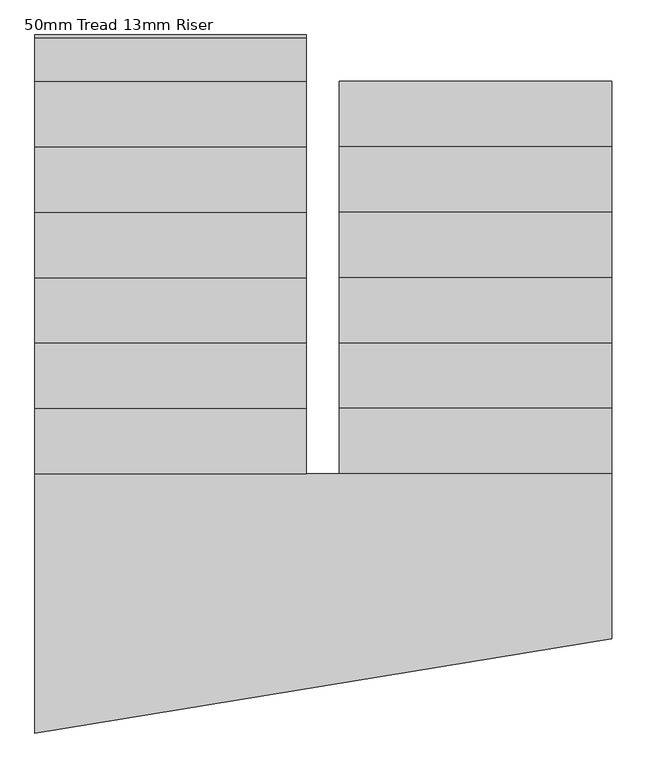
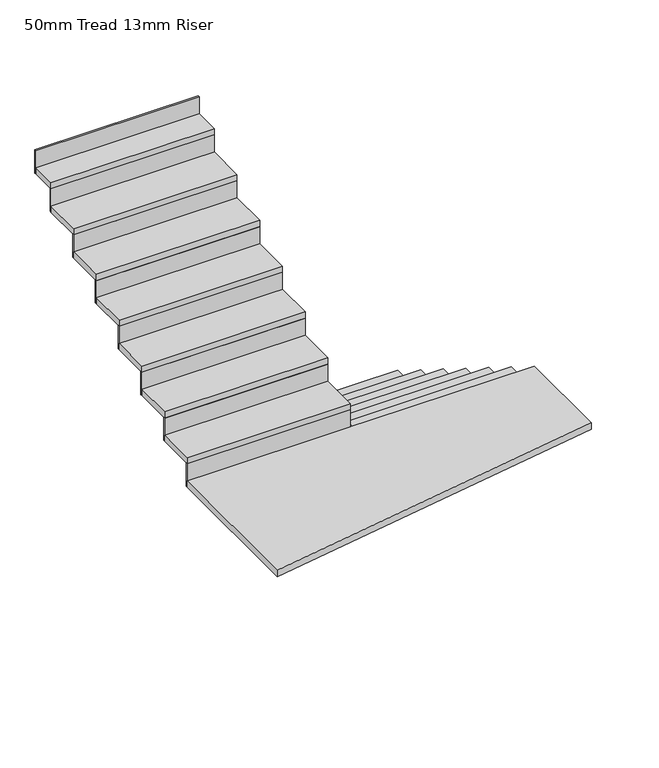
"""IFC4 building model written with IfcOpenShell, lengths in millimetres: stair flight geometry, 50mm Tread 13mm Riser."""

from ifc_helpers import new_model, si_unit, frame, origin, origin_with_axes, place, context, project, spatial, polyline, outline, extrude, source, transform, mapped, element, save


def stair_flight_50mm_tread_13mm_riser_5c0a85da(model_context):
    return source(origin(), model_context, "Body", "SweptSolid", [
        extrude(outline(polyline([(-5295.5206151, 2241.2008614), (-5295.5206151, 2253.7008614), (-4045.9206151, 2253.7008614), (-4045.9206151, 2241.2008614), (-5295.5206151, 2241.2008614)])), origin_with_axes(), (0.0, 0.0, 1.0), 137.5),
        extrude(outline(polyline([(-4045.9206151, 1953.7008614), (-5295.5206151, 1953.7008614), (-5295.5206151, 2253.7008614), (-4045.9206151, 2253.7008614), (-4045.9206151, 1953.7008614)])), frame((0.0, 0.0, 137.5), z_axis=(0.0, 0.0, 1.0), x_axis=(1.0, 0.0, 0.0)), (0.0, 0.0, 1.0), 50.0),
        extrude(outline(polyline([(-5295.5206151, 1941.2008614), (-5295.5206151, 1953.7008614), (-4045.9206151, 1953.7008614), (-4045.9206151, 1941.2008614), (-5295.5206151, 1941.2008614)])), frame((0.0, 0.0, 137.5), z_axis=(0.0, 0.0, 1.0), x_axis=(1.0, 0.0, 0.0)), (0.0, 0.0, 1.0), 187.5),
        extrude(outline(polyline([(-4045.9206151, 1653.7008614), (-5295.5206151, 1653.7008614), (-5295.5206151, 1953.7008614), (-4045.9206151, 1953.7008614), (-4045.9206151, 1653.7008614)])), frame((0.0, 0.0, 325.0), z_axis=(0.0, 0.0, 1.0), x_axis=(1.0, 0.0, 0.0)), (0.0, 0.0, 1.0), 50.0),
        extrude(outline(polyline([(-5295.5206151, 1641.2008614), (-5295.5206151, 1653.7008614), (-4045.9206151, 1653.7008614), (-4045.9206151, 1641.2008614), (-5295.5206151, 1641.2008614)])), frame((0.0, 0.0, 325.0), z_axis=(0.0, 0.0, 1.0), x_axis=(1.0, 0.0, 0.0)), (0.0, 0.0, 1.0), 187.5),
        extrude(outline(polyline([(-4045.9206151, 1353.7008614), (-5295.5206151, 1353.7008614), (-5295.5206151, 1653.7008614), (-4045.9206151, 1653.7008614), (-4045.9206151, 1353.7008614)])), frame((0.0, 0.0, 512.5), z_axis=(0.0, 0.0, 1.0), x_axis=(1.0, 0.0, 0.0)), (0.0, 0.0, 1.0), 50.0),
        extrude(outline(polyline([(-5295.5206151, 1341.2008614), (-5295.5206151, 1353.7008614), (-4045.9206151, 1353.7008614), (-4045.9206151, 1341.2008614), (-5295.5206151, 1341.2008614)])), frame((0.0, 0.0, 512.5), z_axis=(0.0, 0.0, 1.0), x_axis=(1.0, 0.0, 0.0)), (0.0, 0.0, 1.0), 187.5),
        extrude(outline(polyline([(-4045.9206151, 1053.7008614), (-5295.5206151, 1053.7008614), (-5295.5206151, 1353.7008614), (-4045.9206151, 1353.7008614), (-4045.9206151, 1053.7008614)])), frame((0.0, 0.0, 700.0), z_axis=(0.0, 0.0, 1.0), x_axis=(1.0, 0.0, 0.0)), (0.0, 0.0, 1.0), 50.0),
        extrude(outline(polyline([(-5295.5206151, 1041.2008614), (-5295.5206151, 1053.7008614), (-4045.9206151, 1053.7008614), (-4045.9206151, 1041.2008614), (-5295.5206151, 1041.2008614)])), frame((0.0, 0.0, 700.0), z_axis=(0.0, 0.0, 1.0), x_axis=(1.0, 0.0, 0.0)), (0.0, 0.0, 1.0), 187.5),
        extrude(outline(polyline([(-4045.9206151, 753.7008614), (-5295.5206151, 753.7008614), (-5295.5206151, 1053.7008614), (-4045.9206151, 1053.7008614), (-4045.9206151, 753.7008614)])), frame((0.0, 0.0, 887.5), z_axis=(0.0, 0.0, 1.0), x_axis=(1.0, 0.0, 0.0)), (0.0, 0.0, 1.0), 50.0),
        extrude(outline(polyline([(-5295.5206151, 741.2008614), (-5295.5206151, 753.7008614), (-4045.9206151, 753.7008614), (-4045.9206151, 741.2008614), (-5295.5206151, 741.2008614)])), frame((0.0, 0.0, 887.5), z_axis=(0.0, 0.0, 1.0), x_axis=(1.0, 0.0, 0.0)), (0.0, 0.0, 1.0), 187.5),
        extrude(outline(polyline([(-4045.9206151, 453.7008614), (-5295.5206151, 453.7008614), (-5295.5206151, 753.7008614), (-4045.9206151, 753.7008614), (-4045.9206151, 453.7008614)])), frame((0.0, 0.0, 1075.0), z_axis=(0.0, 0.0, 1.0), x_axis=(1.0, 0.0, 0.0)), (0.0, 0.0, 1.0), 50.0),
        extrude(outline(polyline([(-5295.5206151, 441.2008614), (-5295.5206151, 453.7008614), (-4045.9206151, 453.7008614), (-4045.9206151, 441.2008614), (-5295.5206151, 441.2008614)])), frame((0.0, 0.0, 1075.0), z_axis=(0.0, 0.0, 1.0), x_axis=(1.0, 0.0, 0.0)), (0.0, 0.0, 1.0), 187.5),
        extrude(outline(polyline([(-6690.9343863, 453.7008614), (-5445.9206151, 453.7008614), (-5295.5206151, 453.7008614), (-4045.9206151, 453.7008614), (-4045.9206151, -301.8185726), (-6690.9343863, -734.966697), (-6690.9343863, 453.7008614)])), frame((0.0, 0.0, 1262.5), z_axis=(0.0, 0.0, 1.0), x_axis=(1.0, 0.0, 0.0)), (0.0, 0.0, 1.0), 50.0),
        extrude(outline(polyline([(-5445.9206151, 466.2008614), (-5445.9206151, 453.7008614), (-6690.9343863, 453.7008614), (-6690.9343863, 466.2008614), (-5445.9206151, 466.2008614)])), frame((0.0, 0.0, 1262.5), z_axis=(0.0, 0.0, 1.0), x_axis=(1.0, 0.0, 0.0)), (0.0, 0.0, 1.0), 187.5),
        extrude(outline(polyline([(-6690.9343863, 753.7008614), (-5445.9206151, 753.7008614), (-5445.9206151, 453.7008614), (-6690.9343863, 453.7008614), (-6690.9343863, 753.7008614)])), frame((0.0, 0.0, 1450.0), z_axis=(0.0, 0.0, 1.0), x_axis=(1.0, 0.0, 0.0)), (0.0, 0.0, 1.0), 50.0),
        extrude(outline(polyline([(-5445.9206151, 766.2008614), (-5445.9206151, 753.7008614), (-6690.9343863, 753.7008614), (-6690.9343863, 766.2008614), (-5445.9206151, 766.2008614)])), frame((0.0, 0.0, 1450.0), z_axis=(0.0, 0.0, 1.0), x_axis=(1.0, 0.0, 0.0)), (0.0, 0.0, 1.0), 187.5),
        extrude(outline(polyline([(-6690.9343863, 1053.7008614), (-5445.9206151, 1053.7008614), (-5445.9206151, 753.7008614), (-6690.9343863, 753.7008614), (-6690.9343863, 1053.7008614)])), frame((0.0, 0.0, 1637.5), z_axis=(0.0, 0.0, 1.0), x_axis=(1.0, 0.0, 0.0)), (0.0, 0.0, 1.0), 50.0),
        extrude(outline(polyline([(-5445.9206151, 1066.2008614), (-5445.9206151, 1053.7008614), (-6690.9343863, 1053.7008614), (-6690.9343863, 1066.2008614), (-5445.9206151, 1066.2008614)])), frame((0.0, 0.0, 1637.5), z_axis=(0.0, 0.0, 1.0), x_axis=(1.0, 0.0, 0.0)), (0.0, 0.0, 1.0), 187.5),
        extrude(outline(polyline([(-6690.9343863, 1353.7008614), (-5445.9206151, 1353.7008614), (-5445.9206151, 1053.7008614), (-6690.9343863, 1053.7008614), (-6690.9343863, 1353.7008614)])), frame((0.0, 0.0, 1825.0), z_axis=(0.0, 0.0, 1.0), x_axis=(1.0, 0.0, 0.0)), (0.0, 0.0, 1.0), 50.0),
        extrude(outline(polyline([(-5445.9206151, 1366.2008614), (-5445.9206151, 1353.7008614), (-6690.9343863, 1353.7008614), (-6690.9343863, 1366.2008614), (-5445.9206151, 1366.2008614)])), frame((0.0, 0.0, 1825.0), z_axis=(0.0, 0.0, 1.0), x_axis=(1.0, 0.0, 0.0)), (0.0, 0.0, 1.0), 187.5),
        extrude(outline(polyline([(-6690.9343863, 1653.7008614), (-5445.9206151, 1653.7008614), (-5445.9206151, 1353.7008614), (-6690.9343863, 1353.7008614), (-6690.9343863, 1653.7008614)])), frame((0.0, 0.0, 2012.5), z_axis=(0.0, 0.0, 1.0), x_axis=(1.0, 0.0, 0.0)), (0.0, 0.0, 1.0), 50.0),
        extrude(outline(polyline([(-5445.9206151, 1666.2008614), (-5445.9206151, 1653.7008614), (-6690.9343863, 1653.7008614), (-6690.9343863, 1666.2008614), (-5445.9206151, 1666.2008614)])), frame((0.0, 0.0, 2012.5), z_axis=(0.0, 0.0, 1.0), x_axis=(1.0, 0.0, 0.0)), (0.0, 0.0, 1.0), 187.5),
        extrude(outline(polyline([(-6690.9343863, 1953.7008614), (-5445.9206151, 1953.7008614), (-5445.9206151, 1653.7008614), (-6690.9343863, 1653.7008614), (-6690.9343863, 1953.7008614)])), frame((0.0, 0.0, 2200.0), z_axis=(0.0, 0.0, 1.0), x_axis=(1.0, 0.0, 0.0)), (0.0, 0.0, 1.0), 50.0),
        extrude(outline(polyline([(-5445.9206151, 1966.2008614), (-5445.9206151, 1953.7008614), (-6690.9343863, 1953.7008614), (-6690.9343863, 1966.2008614), (-5445.9206151, 1966.2008614)])), frame((0.0, 0.0, 2200.0), z_axis=(0.0, 0.0, 1.0), x_axis=(1.0, 0.0, 0.0)), (0.0, 0.0, 1.0), 187.5),
        extrude(outline(polyline([(-6690.9343863, 2253.7008614), (-5445.9206151, 2253.7008614), (-5445.9206151, 1953.7008614), (-6690.9343863, 1953.7008614), (-6690.9343863, 2253.7008614)])), frame((0.0, 0.0, 2387.5), z_axis=(0.0, 0.0, 1.0), x_axis=(1.0, 0.0, 0.0)), (0.0, 0.0, 1.0), 50.0),
        extrude(outline(polyline([(-5445.9206151, 2266.2008614), (-5445.9206151, 2253.7008614), (-6690.9343863, 2253.7008614), (-6690.9343863, 2266.2008614), (-5445.9206151, 2266.2008614)])), frame((0.0, 0.0, 2387.5), z_axis=(0.0, 0.0, 1.0), x_axis=(1.0, 0.0, 0.0)), (0.0, 0.0, 1.0), 187.5),
        extrude(outline(polyline([(-5445.9206151, 2466.2008614), (-5445.9206151, 2453.7008614), (-6690.9343863, 2453.7008614), (-6690.9343863, 2466.2008614), (-5445.9206151, 2466.2008614)])), frame((0.0, 0.0, 2575.0), z_axis=(0.0, 0.0, 1.0), x_axis=(1.0, 0.0, 0.0)), (0.0, 0.0, 1.0), 187.5),
        extrude(outline(polyline([(-6690.9343863, 2453.7008614), (-5445.9206151, 2453.7008614), (-5445.9206151, 2253.7008614), (-6690.9343863, 2253.7008614), (-6690.9343863, 2453.7008614)])), frame((0.0, 0.0, 2575.0), z_axis=(0.0, 0.0, 1.0), x_axis=(1.0, 0.0, 0.0)), (0.0, 0.0, 1.0), 50.0),
    ])


if __name__ == "__main__":
    model = new_model("IFC4")
    model_context = context("Model", 3, world=origin())
    ifc_project = project(units=[si_unit("LENGTHUNIT", "METRE", prefix="MILLI")], contexts=[model_context])
    site = spatial("IfcSite", under=ifc_project)
    building = spatial("IfcBuilding", under=site)
    placement = place(None, origin())
    stair_flight_50mm_tread_13mm_riser_shape = stair_flight_50mm_tread_13mm_riser_5c0a85da(model_context)
    element("IfcStairFlight", 1, ObjectType="50mm Tread 13mm Riser", at=placement, inside=building, context=model_context, shape_type="MappedRepresentation", body=[
        mapped(stair_flight_50mm_tread_13mm_riser_shape, transform((0.0, 0.0, 0.0), x_axis=(1.0, 0.0, 0.0), y_axis=(0.0, 1.0, 0.0), z_axis=(0.0, 0.0, 1.0))),
    ])
    save(model, "model.ifc")
